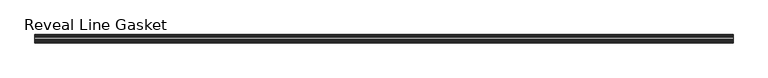
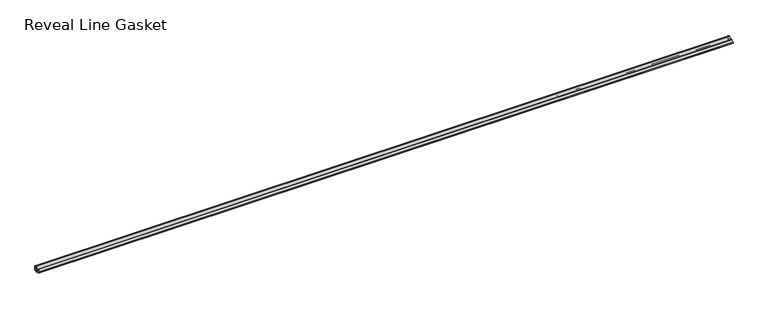
"""IFC4 building model written with IfcOpenShell, lengths in millimetres: furniture geometry, Reveal Line Gasket."""

from ifc_helpers import new_model, si_unit, point, frame, frame_2d, origin, place, context, project, spatial, polyline, circle_curve, trimmed, segment, composite_curve, outline, extrude, source, transform, mapped, element, save


def reveal_line_gasket_a0cc5bd0(model_context):
    return source(origin(), model_context, "Body", "SweptSolid", [
        extrude(outline(composite_curve([segment(polyline([(7.6326998, 1603.2), (7.6326998, 1597.2), (7.4091917, 1596.2445073), (6.8813059, 1595.3115316)]), True, "CONTINUOUS"), segment(trimmed(circle_curve(frame_2d((6.5243141, 1595.5135207)), 0.4101739), [point((6.8813059, 1595.3115316))], [point((6.1246704, 1595.6058653))], False, "CARTESIAN"), True, "CONTINUOUS"), segment(polyline([(6.1246704, 1595.6058653), (6.3626997, 1597.3020914), (6.3626997, 1599.3345473)]), True, "CONTINUOUS"), segment(trimmed(circle_curve(frame_2d((5.6959605, 1598.9180742)), 0.786124), [point((6.3626997, 1599.3345473))], [point((5.0926996, 1599.422125))], True, "CARTESIAN"), True, "CONTINUOUS"), segment(polyline([(5.0926996, 1599.422125), (0.7492996, 1599.422125), (3.7293824, 1594.2604705)]), True, "CONTINUOUS"), segment(trimmed(circle_curve(frame_2d((3.3132479, 1594.1950239)), 0.4212495), [point((3.7293824, 1594.2604705))], [point((3.0485022, 1593.8673642))], False, "CARTESIAN"), True, "CONTINUOUS"), segment(polyline([(3.0485022, 1593.8673642), (-0.5742594, 1599.422125), (-4.8262978, 1599.422125), (-3.1660374, 1596.5464703)]), True, "CONTINUOUS"), segment(trimmed(circle_curve(frame_2d((-3.5978728, 1596.4881145)), 0.4357605), [point((-3.1660374, 1596.5464703))], [point((-3.864328, 1596.1433119))], False, "CARTESIAN"), True, "CONTINUOUS"), segment(polyline([(-3.864328, 1596.1433119), (-6.1944059, 1599.422125), (-7.6326998, 1599.422125), (-7.6326998, 1600.977875), (-6.1944059, 1600.977875), (-3.864328, 1604.2566881)]), True, "CONTINUOUS"), segment(trimmed(circle_curve(frame_2d((-3.5978728, 1603.9118855)), 0.4357605), [point((-3.864328, 1604.2566881))], [point((-3.1660374, 1603.8535297))], False, "CARTESIAN"), True, "CONTINUOUS"), segment(polyline([(-3.1660374, 1603.8535297), (-4.8262978, 1600.977875), (-0.5742594, 1600.977875), (3.0485022, 1606.5326358)]), True, "CONTINUOUS"), segment(trimmed(circle_curve(frame_2d((3.3132479, 1606.2049761)), 0.4212495), [point((3.0485022, 1606.5326358))], [point((3.7293824, 1606.1395295))], False, "CARTESIAN"), True, "CONTINUOUS"), segment(polyline([(3.7293824, 1606.1395295), (0.7492996, 1600.977875), (5.0926996, 1600.977875)]), True, "CONTINUOUS"), segment(trimmed(circle_curve(frame_2d((5.6959605, 1601.4819258)), 0.786124), [point((5.0926996, 1600.977875))], [point((6.3626997, 1601.0654527))], True, "CARTESIAN"), True, "CONTINUOUS"), segment(polyline([(6.3626997, 1601.0654527), (6.3626997, 1603.0979086), (6.1246704, 1604.7941347)]), True, "CONTINUOUS"), segment(trimmed(circle_curve(frame_2d((6.5243141, 1604.8864793)), 0.4101739), [point((6.1246704, 1604.7941347))], [point((6.8813059, 1605.0884684))], False, "CARTESIAN"), True, "CONTINUOUS"), segment(polyline([(6.8813059, 1605.0884684), (7.4091917, 1604.1554927), (7.6326998, 1603.2)]), True, "CONTINUOUS")], self_intersect=False)), frame((-645.8249999, 0.0, 0.0), z_axis=(1.0, 0.0, 0.0), x_axis=(0.0, 1.0, 0.0)), (0.0, 0.0, 1.0), 1291.6499999),
    ])


if __name__ == "__main__":
    model = new_model("IFC4")
    model_context = context("Model", 3, world=origin())
    ifc_project = project(units=[si_unit("LENGTHUNIT", "METRE", prefix="MILLI")], contexts=[model_context])
    site = spatial("IfcSite", under=ifc_project)
    building = spatial("IfcBuilding", under=site)
    placement = place(None, origin())
    reveal_line_gasket_shape = reveal_line_gasket_a0cc5bd0(model_context)
    element("IfcFurniture", 1, ObjectType="Reveal Line Gasket", at=placement, inside=building, context=model_context, shape_type="MappedRepresentation", body=[
        mapped(reveal_line_gasket_shape, transform((0.0, 0.0, 0.0), x_axis=(1.0, 0.0, 0.0), y_axis=(0.0, 1.0, 0.0), z_axis=(0.0, 0.0, 1.0))),
    ])
    save(model, "model.ifc")
